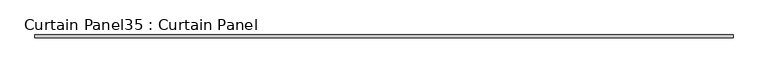
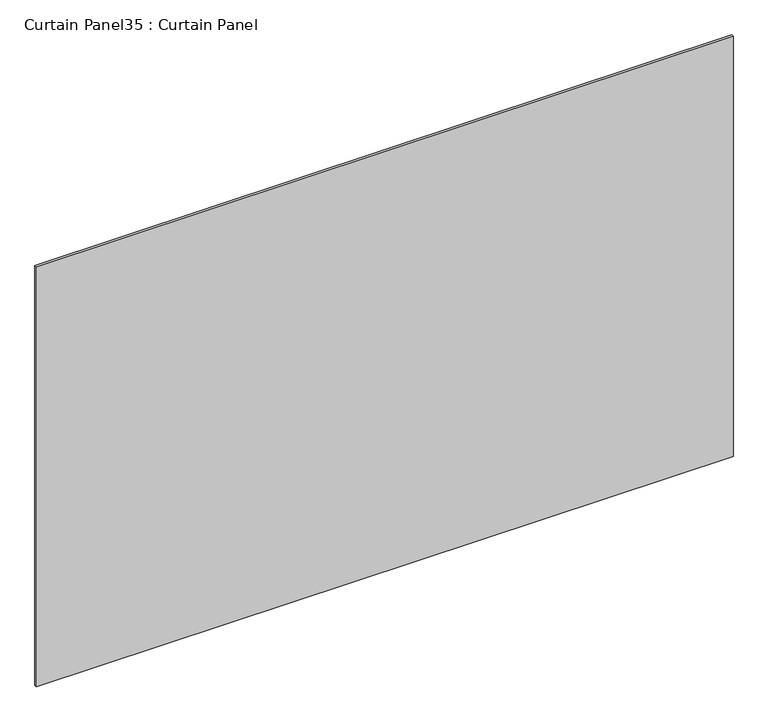
"""IFC4 building model written with IfcOpenShell, lengths in millimetres: plate geometry, Curtain Panel35 : Curtain Panel."""

from ifc_helpers import new_model, si_unit, frame, origin, place, context, project, spatial, polyline, outline, extrude, source, transform, mapped, element, save


def curtain_panel35_curtain_panel_bc001121(model_context):
    return source(origin(), model_context, "Body", "SweptSolid", [
        extrude(outline(polyline([(-18789.9498086, 666.0938036), (-20420.2019677, 666.0938036), (-20420.2019677, 672.4438036), (-18789.9498086, 672.4438036), (-18789.9498086, 666.0938036)])), frame((0.0, 0.0, 3078.7813943), z_axis=(0.0, 0.0, 1.0), x_axis=(1.0, 0.0, 0.0)), (0.0, 0.0, 1.0), 1039.4893215),
    ])


if __name__ == "__main__":
    model = new_model("IFC4")
    model_context = context("Model", 3, world=origin())
    ifc_project = project(units=[si_unit("LENGTHUNIT", "METRE", prefix="MILLI")], contexts=[model_context])
    site = spatial("IfcSite", under=ifc_project)
    building = spatial("IfcBuilding", under=site)
    placement = place(None, origin())
    curtain_panel35_curtain_panel_shape = curtain_panel35_curtain_panel_bc001121(model_context)
    element("IfcPlate", 1, ObjectType="Curtain Panel35 : Curtain Panel", at=placement, inside=building, context=model_context, shape_type="MappedRepresentation", body=[
        mapped(curtain_panel35_curtain_panel_shape, transform((0.0, 0.0, 0.0), x_axis=(1.0, 0.0, 0.0), y_axis=(0.0, 1.0, 0.0), z_axis=(0.0, 0.0, 1.0))),
    ])
    save(model, "model.ifc")
